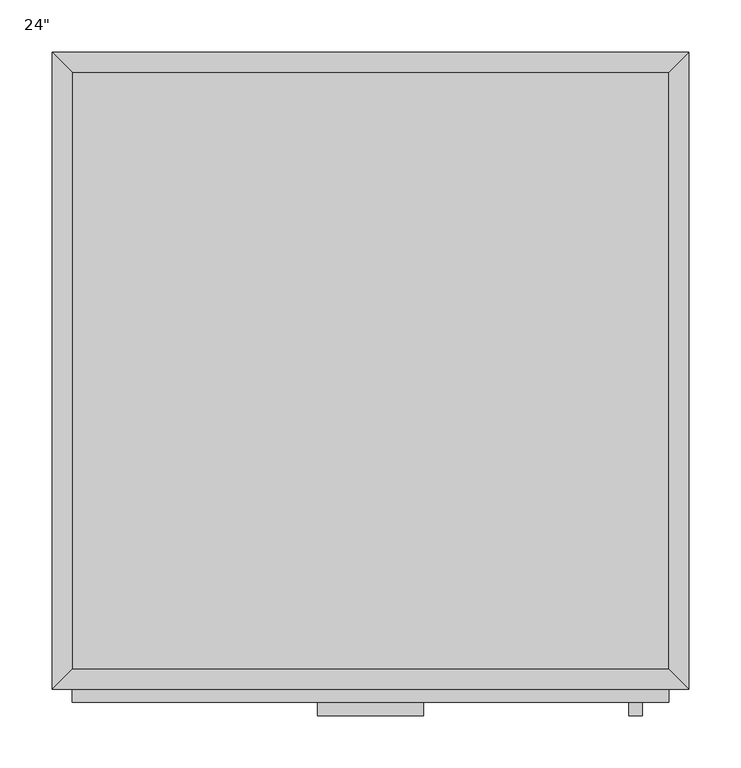
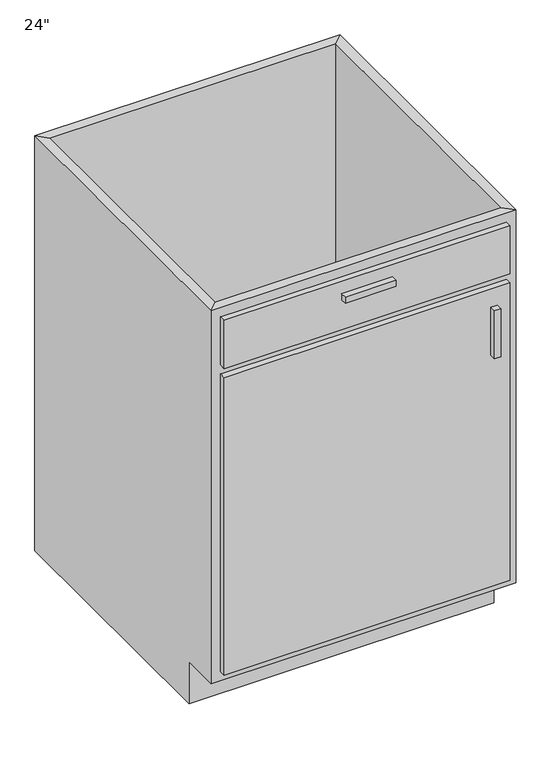
"""IFC4 building model written with IfcOpenShell, lengths in millimetres: furniture geometry."""

from ifc_helpers import new_model, si_unit, frame, origin, place, context, project, spatial, polyline, outline, extrude, faceted_brep, source, transform, mapped, element, save


def furniture_6a014568(model_context):
    return source(origin(), model_context, "Body", "SolidModel", [
        faceted_brep([(304.4877049, -590.55, 876.3), (304.4877049, -590.55, 88.9), (-267.0122951, -590.55, 88.9), (-267.0122951, -590.55, 876.3), (-286.0622951, -609.6, 876.3), (323.5377049, -609.6, 876.3), (-286.0622951, -609.6, 88.9), (323.5377049, -609.6, 88.9), (-267.0122951, -533.4, 88.9), (-267.0122951, -19.05, 88.9), (-267.0122951, -19.05, 876.3), (-286.0622951, 0.0, 876.3), (-286.0622951, 0.0, 0.0), (-286.0622951, -533.4, 0.0), (-286.0622951, -533.4, 88.9), (304.4877049, -19.05, 88.9), (304.4877049, -19.05, 876.3), (323.5377049, 0.0, 876.3), (323.5377049, 0.0, 0.0), (304.4877049, -533.4, 88.9), (323.5377049, -533.4, 88.9), (323.5377049, -533.4, 0.0)], [[[0, 1, 2, 3]], [[0, 3, 4, 5]], [[5, 4, 6, 7]], [[2, 1, 7, 6]], [[3, 2, 8, 9, 10]], [[4, 3, 10, 11]], [[6, 4, 11, 12, 13, 14]], [[2, 6, 14, 8]], [[10, 9, 15, 16]], [[11, 10, 16, 17]], [[12, 11, 17, 18]], [[1, 0, 16, 15, 19]], [[0, 5, 17, 16]], [[5, 7, 20, 21, 18, 17]], [[7, 1, 19, 20]], [[8, 19, 15, 9]], [[18, 21, 13, 12]], [[13, 21, 20, 19, 8, 14]]]),
        extrude(outline(polyline([(279.0877049, -635.0), (266.3877049, -635.0), (266.3877049, -622.3), (279.0877049, -622.3), (279.0877049, -635.0)])), frame((0.0, 0.0, 596.9), z_axis=(0.0, 0.0, 1.0), x_axis=(1.0, 0.0, 0.0)), (0.0, 0.0, 1.0), 101.6),
        extrude(outline(polyline([(69.5377049, -635.0), (-32.0622951, -635.0), (-32.0622951, -622.3), (69.5377049, -622.3), (69.5377049, -635.0)])), frame((0.0, 0.0, 819.15), z_axis=(0.0, 0.0, 1.0), x_axis=(1.0, 0.0, 0.0)), (0.0, 0.0, 1.0), 12.7),
        extrude(outline(polyline([(304.4877049, -622.3), (-267.0122951, -622.3), (-267.0122951, -609.6), (304.4877049, -609.6), (304.4877049, -622.3)])), frame((0.0, 0.0, 107.95), z_axis=(0.0, 0.0, 1.0), x_axis=(1.0, 0.0, 0.0)), (0.0, 0.0, 1.0), 628.65),
        extrude(outline(polyline([(304.4877049, -622.3), (-267.0122951, -622.3), (-267.0122951, -609.6), (304.4877049, -609.6), (304.4877049, -622.3)])), frame((0.0, 0.0, 755.65), z_axis=(0.0, 0.0, 1.0), x_axis=(1.0, 0.0, 0.0)), (0.0, 0.0, 1.0), 101.6),
        extrude(outline(polyline([(304.4877049, -19.05), (304.4877049, -590.55), (-267.0122951, -590.55), (-267.0122951, -19.05), (304.4877049, -19.05)])), frame((0.0, 0.0, 88.9), z_axis=(0.0, 0.0, 1.0), x_axis=(1.0, 0.0, 0.0)), (0.0, 0.0, 1.0), 19.05),
    ])


if __name__ == "__main__":
    model = new_model("IFC4")
    model_context = context("Model", 3, world=origin())
    ifc_project = project(units=[si_unit("LENGTHUNIT", "METRE", prefix="MILLI")], contexts=[model_context])
    site = spatial("IfcSite", under=ifc_project)
    building = spatial("IfcBuilding", under=site)
    placement = place(None, origin())
    furniture_shape = furniture_6a014568(model_context)
    element("IfcFurniture", 1, ObjectType="24\"", at=placement, inside=building, context=model_context, shape_type="MappedRepresentation", body=[
        mapped(furniture_shape, transform((0.0, 0.0, 0.0), x_axis=(1.0, 0.0, 0.0), y_axis=(0.0, 1.0, 0.0), z_axis=(0.0, 0.0, 1.0))),
    ])
    save(model, "model.ifc")
